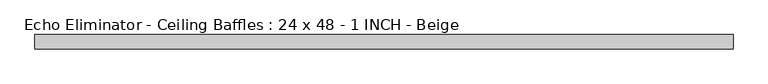
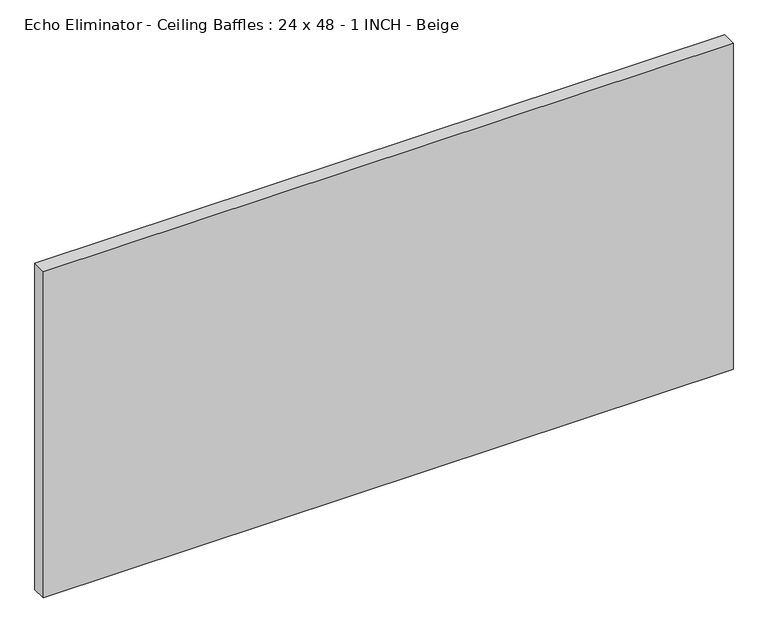
"""IFC4 building model written with IfcOpenShell, lengths in millimetres: proxy geometry, Echo Eliminator - Ceiling Baffles : 24 x 48 - 1 INCH - Beige."""

from ifc_helpers import new_model, si_unit, origin, origin_with_axes, place, context, project, spatial, polyline, outline, extrude, source, transform, mapped, element, save


def echo_eliminator_ceiling_baffles_24_x_48_1_inch_beige_e6cd1cce(model_context):
    return source(origin(), model_context, "Body", "SweptSolid", [
        extrude(outline(polyline([(609.6, -25.4), (-609.6, -25.4), (-609.6, 0.0), (609.6, 0.0), (609.6, -25.4)])), origin_with_axes(), (0.0, 0.0, 1.0), 609.6),
    ])


if __name__ == "__main__":
    model = new_model("IFC4")
    model_context = context("Model", 3, world=origin())
    ifc_project = project(units=[si_unit("LENGTHUNIT", "METRE", prefix="MILLI")], contexts=[model_context])
    site = spatial("IfcSite", under=ifc_project)
    building = spatial("IfcBuilding", under=site)
    placement = place(None, origin())
    echo_eliminator_ceiling_baffles_24_x_48_1_inch_beige_shape = echo_eliminator_ceiling_baffles_24_x_48_1_inch_beige_e6cd1cce(model_context)
    element("IfcBuildingElementProxy", 1, Name="Echo Eliminator - Ceiling Baffles : 24 x 48 - 1 INCH - Beige", ObjectType="Echo Eliminator - Ceiling Baffles : 24 x 48 - 1 INCH - Beige", at=placement, inside=building, context=model_context, shape_type="MappedRepresentation", body=[
        mapped(echo_eliminator_ceiling_baffles_24_x_48_1_inch_beige_shape, transform((0.0, 0.0, 0.0), x_axis=(1.0, 0.0, 0.0), y_axis=(0.0, 1.0, 0.0), z_axis=(0.0, 0.0, 1.0))),
    ])
    save(model, "model.ifc")
